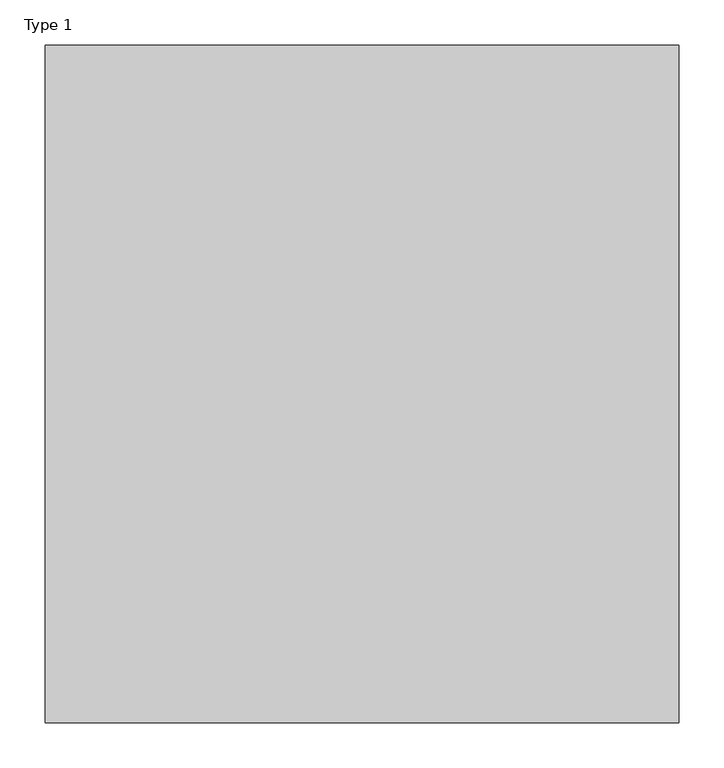
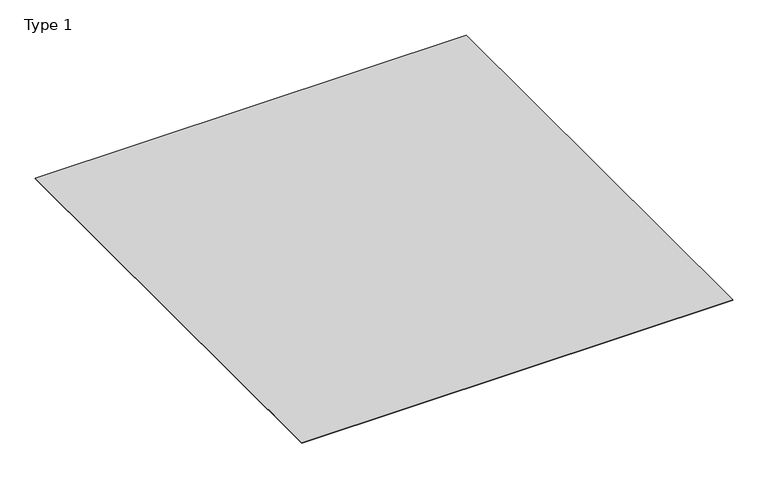
"""IFC4 building model written with IfcOpenShell, lengths in millimetres: proxy geometry, Type 1."""

from ifc_helpers import new_model, si_unit, origin, origin_with_axes, place, context, project, spatial, polyline, outline, extrude, source, transform, mapped, element, save


def type_1_8d04cb78(model_context):
    return source(origin(), model_context, "Body", "SweptSolid", [
        extrude(outline(polyline([(631.5, -100.0), (631.5, -850.0), (-70.0, -850.0), (-70.0, -100.0), (631.5, -100.0)])), origin_with_axes(), (0.0, 0.0, 1.0), 1.0),
    ])


if __name__ == "__main__":
    model = new_model("IFC4")
    model_context = context("Model", 3, world=origin())
    ifc_project = project(units=[si_unit("LENGTHUNIT", "METRE", prefix="MILLI")], contexts=[model_context])
    site = spatial("IfcSite", under=ifc_project)
    building = spatial("IfcBuilding", under=site)
    placement = place(None, origin())
    type_1_shape = type_1_8d04cb78(model_context)
    element("IfcBuildingElementProxy", 1, Name="Type 1", ObjectType="Type 1", at=placement, inside=building, context=model_context, shape_type="MappedRepresentation", body=[
        mapped(type_1_shape, transform((0.0, 0.0, 0.0), x_axis=(1.0, 0.0, 0.0), y_axis=(0.0, 1.0, 0.0), z_axis=(0.0, 0.0, 1.0))),
    ])
    save(model, "model.ifc")
